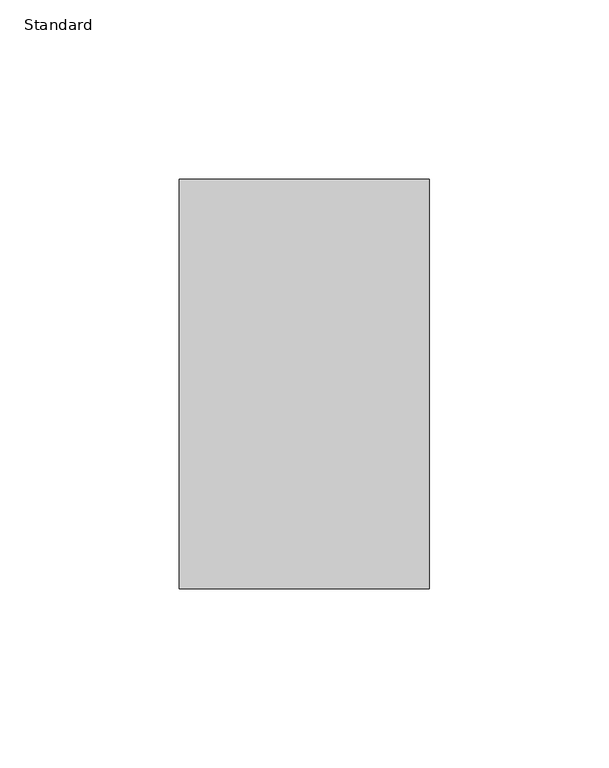
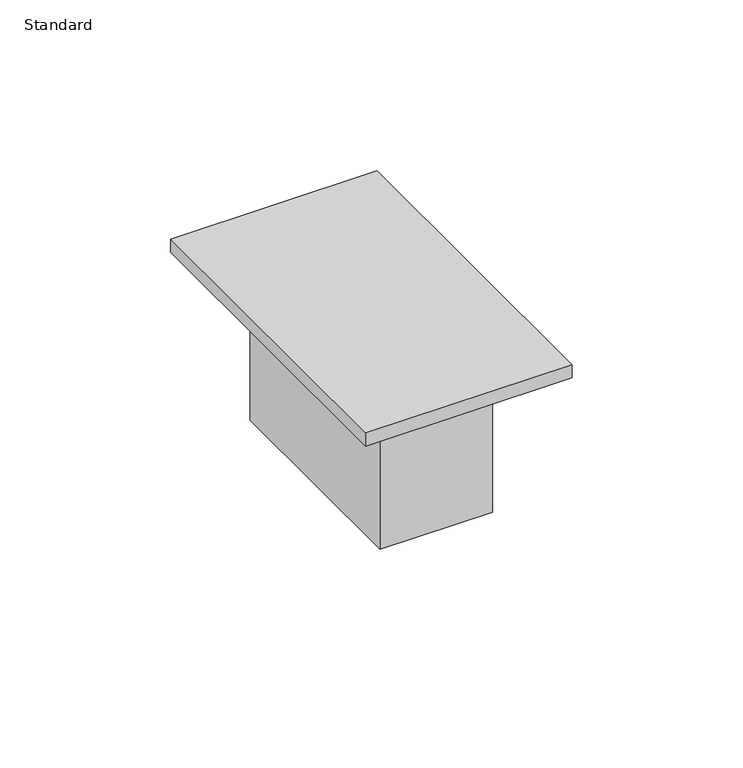
"""IFC4 building model written with IfcOpenShell, lengths in millimetres: proxy geometry, Standard."""

from ifc_helpers import new_model, si_unit, frame, origin, origin_with_axes, place, context, project, spatial, polyline, outline, extrude, source, transform, mapped, element, save


def standard_10251bba(model_context):
    return source(origin(), model_context, "Body", "SweptSolid", [
        extrude(outline(polyline([(19.05, 38.1), (19.05, -38.1), (-19.05, -38.1), (-19.05, 38.1), (19.05, 38.1)])), frame((0.0, 0.0, -53.975), z_axis=(0.0, 0.0, 1.0), x_axis=(1.0, 0.0, 0.0)), (0.0, 0.0, 1.0), 53.975),
        extrude(outline(polyline([(34.925, 57.15), (34.925, -57.15), (-34.925, -57.15), (-34.925, 57.15), (34.925, 57.15)])), origin_with_axes(), (0.0, 0.0, 1.0), 4.7625),
    ])


if __name__ == "__main__":
    model = new_model("IFC4")
    model_context = context("Model", 3, world=origin())
    ifc_project = project(units=[si_unit("LENGTHUNIT", "METRE", prefix="MILLI")], contexts=[model_context])
    site = spatial("IfcSite", under=ifc_project)
    building = spatial("IfcBuilding", under=site)
    placement = place(None, origin())
    standard_shape = standard_10251bba(model_context)
    element("IfcBuildingElementProxy", 1, Name="Standard", ObjectType="Standard", at=placement, inside=building, context=model_context, shape_type="MappedRepresentation", body=[
        mapped(standard_shape, transform((0.0, 0.0, 0.0), x_axis=(1.0, 0.0, 0.0), y_axis=(0.0, 1.0, 0.0), z_axis=(0.0, 0.0, 1.0))),
    ])
    save(model, "model.ifc")
